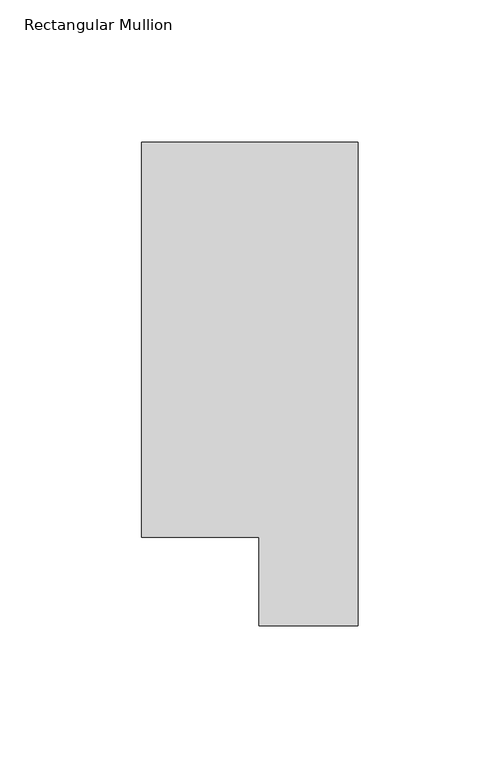
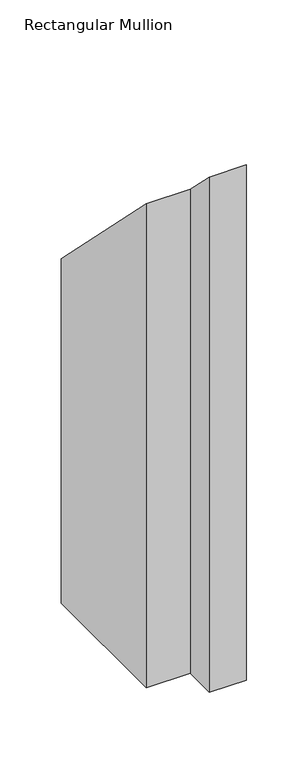
"""IFC4 building model written with IfcOpenShell, lengths in millimetres: member geometry, Rectangular Mullion."""

from ifc_helpers import new_model, si_unit, origin, place, context, project, spatial, faceted_brep, source, transform, mapped, element, save


def rectangular_mullion_1a299a2d(model_context):
    return source(origin(), model_context, "Body", "Brep", [
        faceted_brep([(-76.2, 190.0007313, -533.1118687), (0.0, 190.0007313, -533.1118687), (0.0, 19.5667313, -533.1118687), (-34.9123, 19.5667313, -533.1118687), (-34.9123, 50.820278, -533.1118687), (-76.2, 50.820278, -533.1118687), (-76.2, 50.820278, -50.820278), (-76.2, 190.0007313, -190.0007312), (-34.9123, 50.820278, -50.820278), (-34.9123, 19.5667313, -19.5667313), (0.0, 19.5667313, -19.5667313), (0.0, 190.0007313, -190.0007312)], [[[0, 1, 2, 3, 4, 5]], [[6, 7, 0, 5]], [[8, 6, 5, 4]], [[9, 8, 4, 3]], [[10, 9, 3, 2]], [[11, 10, 2, 1]], [[7, 11, 1, 0]], [[7, 6, 8, 9, 10, 11]]]),
    ])


if __name__ == "__main__":
    model = new_model("IFC4")
    model_context = context("Model", 3, world=origin())
    ifc_project = project(units=[si_unit("LENGTHUNIT", "METRE", prefix="MILLI")], contexts=[model_context])
    site = spatial("IfcSite", under=ifc_project)
    building = spatial("IfcBuilding", under=site)
    placement = place(None, origin())
    rectangular_mullion_shape = rectangular_mullion_1a299a2d(model_context)
    element("IfcMember", 1, ObjectType="Rectangular Mullion", at=placement, inside=building, context=model_context, shape_type="MappedRepresentation", body=[
        mapped(rectangular_mullion_shape, transform((0.0, 0.0, 0.0), x_axis=(1.0, 0.0, 0.0), y_axis=(0.0, 1.0, 0.0), z_axis=(0.0, 0.0, 1.0))),
    ])
    save(model, "model.ifc")
